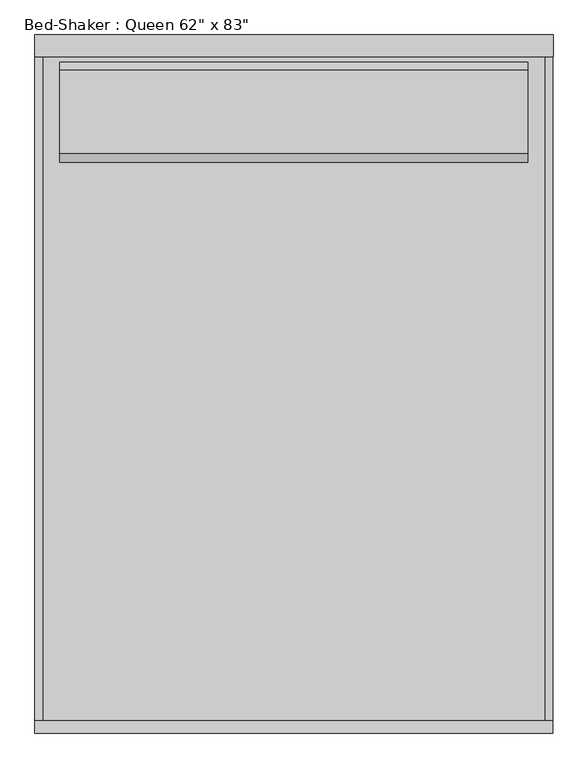
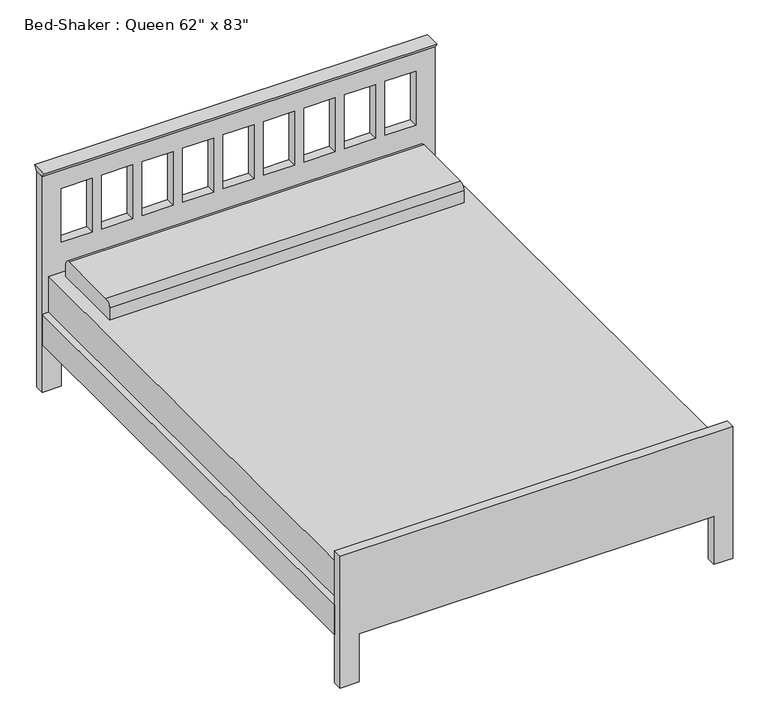
"""IFC4 building model written with IfcOpenShell, lengths in millimetres: furniture geometry."""

import ifcopenshell
import ifcopenshell.guid

model = None  # the IFC model being written
_history = None  # IfcOwnerHistory: only IFC2X3 demands one
_inside = {}  # id of a spatial element -> (the spatial element, [elements in it])
_under = {}  # id of a project, library or spatial element -> (it, [spatial elements below it])
_declared = {}  # id of a project -> (the project, [libraries it declares])
_typed = {}  # id of a type object -> (the type object, [elements of that type])
_made_of = {}  # id of a material, layer set ... -> (it, [elements and type objects made of it])


def new_model(schema):
    """Start an empty IFC model of exactly this schema.

    Asked for "IFC4X3", IfcOpenShell would pick the latest addendum, in which some entities
    have other attributes; the version numbers below select the first issue.
    IFC2X3 requires an IfcOwnerHistory on every rooted entity: one is made here for all.
    """
    global model, _history
    if schema == "IFC4X3":
        model = ifcopenshell.file(schema_version=(4, 3, 0, 0))
    else:
        model = ifcopenshell.file(schema=schema)
    _inside.clear()
    _under.clear()
    _declared.clear()
    _typed.clear()
    _made_of.clear()
    _history = None
    if model.schema == "IFC2X3":
        org = make("IfcOrganization", Name="unknown")
        user = make(
            "IfcPersonAndOrganization",
            ThePerson=make("IfcPerson", FamilyName="unknown"),
            TheOrganization=org,
        )
        app = make(
            "IfcApplication",
            ApplicationDeveloper=org,
            Version="unknown",
            ApplicationFullName="unknown",
            ApplicationIdentifier="unknown",
        )
        _history = make(
            "IfcOwnerHistory",
            OwningUser=user,
            OwningApplication=app,
            ChangeAction="ADDED",
            CreationDate=0,
        )
    return model


def make(cls, **values):
    """One entity of the class cls with the attributes given. An attribute that is None is left unset."""
    return model.create_entity(
        cls, **{name: value for name, value in values.items() if value is not None}
    )


def rooted(cls, **values):
    """An entity with a GlobalId (a new one), such as an element, a storey or a relation."""
    return make(cls, GlobalId=ifcopenshell.guid.new(), OwnerHistory=_history, **values)


def si_unit(unit_type, name, prefix=None):
    """IfcSIUnit, for example si_unit("LENGTHUNIT", "METRE", prefix="MILLI")."""
    return make("IfcSIUnit", UnitType=unit_type, Prefix=prefix, Name=name)


def assignment(units):
    """IfcUnitAssignment: the units of a project."""
    return None if units is None else make("IfcUnitAssignment", Units=units)


def point(xyz):
    """IfcCartesianPoint."""
    return None if xyz is None else make("IfcCartesianPoint", Coordinates=xyz)


def direction(xyz):
    """IfcDirection."""
    return None if xyz is None else make("IfcDirection", DirectionRatios=xyz)


def frame(location, z_axis=None, x_axis=None):
    """IfcAxis2Placement3D, a coordinate frame: its origin and axes. An axis left out is left unset."""
    return make(
        "IfcAxis2Placement3D",
        Location=point(location),
        Axis=direction(z_axis),
        RefDirection=direction(x_axis),
    )


def frame_2d(location, x_axis=None):
    """IfcAxis2Placement2D, a coordinate frame in the plane: its origin and x axis."""
    return make(
        "IfcAxis2Placement2D", Location=point(location), RefDirection=direction(x_axis)
    )


def origin():
    """The frame at (0, 0, 0) with its axes left unset."""
    return frame((0.0, 0.0, 0.0))


def place(relative_to, where):
    """IfcLocalPlacement: puts the frame where relative to a parent placement (None: the world)."""
    return make(
        "IfcLocalPlacement", PlacementRelTo=relative_to, RelativePlacement=where
    )


def context(
    kind, dimensions, precision=None, world=None, true_north=None, identifier=None
):
    """IfcGeometricRepresentationContext, for example the 3D "Model" context."""
    return make(
        "IfcGeometricRepresentationContext",
        ContextIdentifier=identifier,
        ContextType=kind,
        CoordinateSpaceDimension=dimensions,
        Precision=precision,
        WorldCoordinateSystem=world,
        TrueNorth=true_north,
    )


def project(units=None, contexts=None):
    """IfcProject with its units and contexts."""
    return rooted(
        "IfcProject",
        Name="project",
        RepresentationContexts=contexts,
        UnitsInContext=assignment(units),
    )


def spatial(cls, under=None, at=None, **own):
    """A site, building, storey or space (cls), placed at a placement, below another one or the project."""
    s = rooted(cls, ObjectPlacement=at, **own)
    if under is not None:
        _under.setdefault(under.id(), (under, []))[1].append(s)
    return s


def polyline(points):
    """IfcPolyline through the points."""
    return make("IfcPolyline", Points=[point(p) for p in points])


def circle_curve(where, radius):
    """IfcCircle in the frame where."""
    return make("IfcCircle", Position=where, Radius=radius)


def trimmed(basis, trim1, trim2, sense, master):
    """IfcTrimmedCurve: the piece of a basis curve between two trims."""
    return make(
        "IfcTrimmedCurve",
        BasisCurve=basis,
        Trim1=trim1,
        Trim2=trim2,
        SenseAgreement=sense,
        MasterRepresentation=master,
    )


def segment(curve, same_sense, transition):
    """IfcCompositeCurveSegment."""
    return make(
        "IfcCompositeCurveSegment",
        Transition=transition,
        SameSense=same_sense,
        ParentCurve=curve,
    )


def composite_curve(segments, self_intersect=None):
    """IfcCompositeCurve: segments joined end to end."""
    return make("IfcCompositeCurve", Segments=segments, SelfIntersect=self_intersect)


def outline(outer, holes=None, kind="AREA"):
    """IfcArbitraryClosedProfileDef: a profile drawn as a closed curve; with holes, ...WithVoids."""
    if holes is None:
        return make("IfcArbitraryClosedProfileDef", ProfileType=kind, OuterCurve=outer)
    return make(
        "IfcArbitraryProfileDefWithVoids",
        ProfileType=kind,
        OuterCurve=outer,
        InnerCurves=holes,
    )


def extrude(swept, where, along, depth):
    """IfcExtrudedAreaSolid: the profile swept, set in the frame where, extruded along a direction by depth."""
    return make(
        "IfcExtrudedAreaSolid",
        SweptArea=swept,
        Position=where,
        ExtrudedDirection=direction(along),
        Depth=depth,
    )


def shape(context_of_items, identifier, shape_type, items):
    """IfcShapeRepresentation: the items that make up one representation, for example the "Body"."""
    return make(
        "IfcShapeRepresentation",
        ContextOfItems=context_of_items,
        RepresentationIdentifier=identifier,
        RepresentationType=shape_type,
        Items=items,
    )


def source(mapping_origin, context_of_items, identifier, shape_type, items):
    """IfcRepresentationMap: a shape defined once, which mapped items show again and again."""
    return make(
        "IfcRepresentationMap",
        MappingOrigin=mapping_origin,
        MappedRepresentation=shape(context_of_items, identifier, shape_type, items),
    )


def transform(
    local_origin,
    x_axis=None,
    y_axis=None,
    z_axis=None,
    scale=None,
    scale2=None,
    scale3=None,
    uniform=True,
):
    """IfcCartesianTransformationOperator3D, or its non-uniform kind. x_axis, y_axis, z_axis: its Axis1, 2, 3."""
    if uniform:
        return make(
            "IfcCartesianTransformationOperator3D",
            Axis1=direction(x_axis),
            Axis2=direction(y_axis),
            LocalOrigin=point(local_origin),
            Scale=scale,
            Axis3=direction(z_axis),
        )
    return make(
        "IfcCartesianTransformationOperator3DnonUniform",
        Axis1=direction(x_axis),
        Axis2=direction(y_axis),
        LocalOrigin=point(local_origin),
        Scale=scale,
        Axis3=direction(z_axis),
        Scale2=scale2,
        Scale3=scale3,
    )


def mapped(mapping_source, mapping_target):
    """IfcMappedItem: shows the shape of a source again, moved by a transform."""
    return make(
        "IfcMappedItem", MappingSource=mapping_source, MappingTarget=mapping_target
    )


def made_of(thing, what):
    """Note that an element or type object is made of a material, layer set ...; save() writes the relation."""
    if what is not None:
        _made_of.setdefault(what.id(), (what, []))[1].append(thing)
    return thing


def element(
    cls,
    number,
    at=None,
    inside=None,
    cuts=None,
    type_object=None,
    material=None,
    context=None,
    identifier="Body",
    shape_type=None,
    held_by="IfcProductDefinitionShape",
    body=None,
    shapes=None,
    **own,
):
    """One element of the class cls, such as IfcWall. Its Tag is "e" and its number.

    at: its placement. inside: the storey or other place that contains it. cuts: it is an
    opening in that element (IfcRelVoidsElement). A single representation is given by context,
    identifier, shape_type and body (its items); several are given by shapes. held_by: the class
    of the entity that holds the representations. save() writes the other relations.
    """
    e = rooted(cls, Tag="e%d" % number, ObjectPlacement=at, **own)
    if body is not None:
        shapes = [shape(context, identifier, shape_type, body)]
    if shapes is not None:
        e.Representation = make(held_by, Representations=shapes)
    if inside is not None:
        _inside.setdefault(inside.id(), (inside, []))[1].append(e)
    if cuts is not None:
        rooted(
            "IfcRelVoidsElement", RelatingBuildingElement=cuts, RelatedOpeningElement=e
        )
    if type_object is not None:
        _typed.setdefault(type_object.id(), (type_object, []))[1].append(e)
    return made_of(e, material)


def aggregate(whole, parts):
    """IfcRelAggregates: a whole, such as a stair, and the parts it consists of."""
    return rooted("IfcRelAggregates", RelatingObject=whole, RelatedObjects=parts)


def save(model, path):
    """Write the relations noted so far, then the file.

    IfcRelAggregates (storeys below a building ...), IfcRelContainedInSpatialStructure (elements
    in a storey), IfcRelDefinesByType, IfcRelAssociatesMaterial and IfcRelDeclares: one each for
    every whole, place, type object, material and project.
    """
    for whole, parts in _under.values():
        aggregate(whole, parts)
    for where, things in _inside.values():
        rooted(
            "IfcRelContainedInSpatialStructure",
            RelatedElements=things,
            RelatingStructure=where,
        )
    for kind, things in _typed.values():
        rooted("IfcRelDefinesByType", RelatedObjects=things, RelatingType=kind)
    for what, things in _made_of.values():
        rooted("IfcRelAssociatesMaterial", RelatedObjects=things, RelatingMaterial=what)
    for by, libraries in _declared.values():
        rooted("IfcRelDeclares", RelatingContext=by, RelatedDefinitions=libraries)
    model.write(path)


def furniture_35c09872(model_context):
    return source(origin(), model_context, "Body", "SweptSolid", [
        extrude(outline(polyline([(-38.1, 914.4), (-51.9545455, 933.45), (13.8545455, 933.45), (0.0, 914.4), (-38.1, 914.4)])), frame((-806.2365546, 0.0, 0.0), z_axis=(1.0, 0.0, 0.0), x_axis=(0.0, 1.0, 0.0)), (0.0, 0.0, 1.0), 1574.8533613),
        extrude(outline(composite_curve([segment(polyline([(-373.2486637, 482.6), (-373.2486637, 533.4)]), True, "CONTINUOUS"), segment(trimmed(circle_curve(frame_2d((-347.8486637, 533.4)), 25.4), [point((-373.2486637, 533.4))], [point((-347.8486637, 558.8))], False, "CARTESIAN"), True, "CONTINUOUS"), segment(polyline([(-347.8486637, 558.8), (-93.8486637, 558.8)]), True, "CONTINUOUS"), segment(trimmed(circle_curve(frame_2d((-93.8486637, 533.4)), 25.4), [point((-93.8486637, 558.8))], [point((-68.4486637, 533.4))], False, "CARTESIAN"), True, "CONTINUOUS"), segment(polyline([(-68.4486637, 533.4), (-68.4486637, 482.6), (-373.2486637, 482.6)]), True, "CONTINUOUS")], self_intersect=False)), frame((-730.25, 0.0, 0.0), z_axis=(1.0, 0.0, 0.0), x_axis=(0.0, 1.0, 0.0)), (0.0, 0.0, 1.0), 1422.4),
        extrude(outline(polyline([(742.95, -38.1), (742.95, -2070.1), (-781.05, -2070.1), (-781.05, -38.1), (742.95, -38.1)])), frame((0.0, 0.0, 228.6), z_axis=(0.0, 0.0, 1.0), x_axis=(1.0, 0.0, 0.0)), (0.0, 0.0, 1.0), 254.0),
        extrude(outline(polyline([(742.95, -2070.1), (742.95, -38.1), (768.35, -38.1), (768.35, -2070.1), (742.95, -2070.1)])), frame((0.0, 0.0, 203.0994861), z_axis=(0.0, 0.0, 1.0), x_axis=(1.0, 0.0, 0.0)), (0.0, 0.0, 1.0), 127.0),
        extrude(outline(polyline([(-806.45, -2070.1), (-806.45, -38.1), (-781.05, -38.1), (-781.05, -2070.1), (-806.45, -2070.1)])), frame((0.0, 0.0, 203.5755296), z_axis=(0.0, 0.0, 1.0), x_axis=(1.0, 0.0, 0.0)), (0.0, 0.0, 1.0), 127.0),
        extrude(outline(polyline([(0.0, -730.25), (203.2, -730.25), (203.2, 692.15), (0.0, 692.15), (0.0, 768.35), (558.8, 768.35), (558.8, -806.45), (0.0, -806.45), (0.0, -730.25)])), frame((0.0, -2108.2, 0.0), z_axis=(0.0, 1.0, 0.0), x_axis=(0.0, 0.0, 1.0)), (0.0, 0.0, 1.0), 38.1),
        extrude(outline(polyline([(914.4, 768.6168067), (914.4, -806.2365546), (0.0, -806.2365546), (0.0, -730.25), (203.2, -730.25), (203.2, 692.15), (0.0, 692.15), (0.0, 768.6168067), (914.4, 768.6168067)]), holes=[polyline([(838.2, -606.0722222), (609.6, -606.0722222), (609.6, -730.25), (838.2, -730.25), (838.2, -606.0722222)]), polyline([(838.2, -443.7944444), (609.6, -443.7944444), (609.6, -567.9722222), (838.2, -567.9722222), (838.2, -443.7944444)]), polyline([(838.2, -281.5166667), (609.6, -281.5166667), (609.6, -405.6944444), (838.2, -405.6944444), (838.2, -281.5166667)]), polyline([(838.2, -119.2388889), (609.6, -119.2388889), (609.6, -243.4166667), (838.2, -243.4166667), (838.2, -119.2388889)]), polyline([(838.2, 205.3166667), (609.6, 205.3166667), (609.6, 81.1388889), (838.2, 81.1388889), (838.2, 205.3166667)]), polyline([(838.2, 367.5944444), (609.6, 367.5944444), (609.6, 243.4166667), (838.2, 243.4166667), (838.2, 367.5944444)]), polyline([(838.2, 529.8722222), (609.6, 529.8722222), (609.6, 405.6944444), (838.2, 405.6944444), (838.2, 529.8722222)]), polyline([(838.2, 692.15), (609.6, 692.15), (609.6, 567.9722222), (838.2, 567.9722222), (838.2, 692.15)]), polyline([(838.2, 43.0388889), (609.6, 43.0388889), (609.6, -81.1388889), (838.2, -81.1388889), (838.2, 43.0388889)])]), frame((0.0, -38.1, 0.0), z_axis=(0.0, 1.0, 0.0), x_axis=(0.0, 0.0, 1.0)), (0.0, 0.0, 1.0), 38.1),
    ])


if __name__ == "__main__":
    model = new_model("IFC4")
    model_context = context("Model", 3, world=origin())
    ifc_project = project(units=[si_unit("LENGTHUNIT", "METRE", prefix="MILLI")], contexts=[model_context])
    site = spatial("IfcSite", under=ifc_project)
    building = spatial("IfcBuilding", under=site)
    placement = place(None, origin())
    furniture_shape = furniture_35c09872(model_context)
    element("IfcFurniture", 1, ObjectType="Bed-Shaker : Queen 62\" x 83\"", at=placement, inside=building, context=model_context, shape_type="MappedRepresentation", body=[
        mapped(furniture_shape, transform((0.0, 0.0, 0.0), x_axis=(1.0, 0.0, 0.0), y_axis=(0.0, 1.0, 0.0), z_axis=(0.0, 0.0, 1.0))),
    ])
    save(model, "model.ifc")
